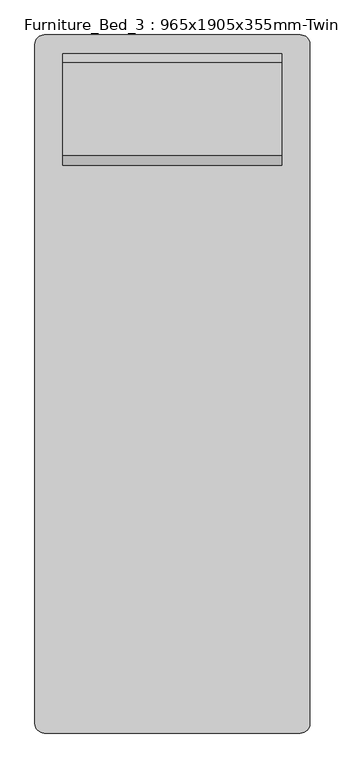
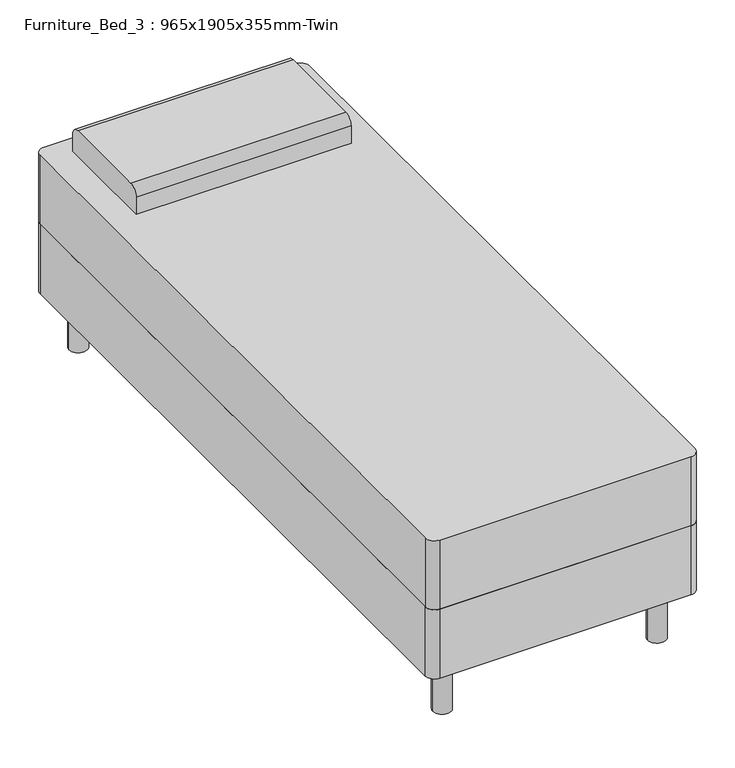
"""IFC4 building model written with IfcOpenShell, lengths in millimetres: furniture geometry, Furniture_Bed_3 : 965x1905x355mm-Twin."""

from ifc_helpers import new_model, si_unit, point, frame, frame_2d, origin, origin_with_axes, place, context, project, spatial, polyline, circle_curve, trimmed, segment, composite_curve, outline, extrude, source, transform, mapped, element, save


def furniture_bed_3_965x1905x355mm_twin_e5871e2a(model_context):
    return source(origin(), model_context, "Body", "SweptSolid", [
        extrude(outline(composite_curve([segment(polyline([(-103.5114754, -972.695082), (-103.5114754, 881.504918)]), True, "CONTINUOUS"), segment(trimmed(circle_curve(frame_2d((-78.1114754, 881.504918)), 25.4), [point((-103.5114754, 881.504918))], [point((-78.1114754, 906.904918))], False, "CARTESIAN"), True, "CONTINUOUS"), segment(polyline([(-78.1114754, 906.904918), (621.0885246, 906.904918)]), True, "CONTINUOUS"), segment(trimmed(circle_curve(frame_2d((621.0885246, 881.504918)), 25.4), [point((621.0885246, 906.904918))], [point((646.4885246, 881.504918))], False, "CARTESIAN"), True, "CONTINUOUS"), segment(polyline([(646.4885246, 881.504918), (646.4885246, -972.695082)]), True, "CONTINUOUS"), segment(trimmed(circle_curve(frame_2d((621.0885246, -972.695082)), 25.4), [point((646.4885246, -972.695082))], [point((621.0885246, -998.095082))], False, "CARTESIAN"), True, "CONTINUOUS"), segment(polyline([(621.0885246, -998.095082), (-78.1114754, -998.095082)]), True, "CONTINUOUS"), segment(trimmed(circle_curve(frame_2d((-78.1114754, -972.695082)), 25.4), [point((-78.1114754, -998.095082))], [point((-103.5114754, -972.695082))], False, "CARTESIAN"), True, "CONTINUOUS")], self_intersect=False)), frame((0.0, 0.0, 152.4), z_axis=(0.0, 0.0, 1.0), x_axis=(1.0, 0.0, 0.0)), (0.0, 0.0, 1.0), 203.2),
        extrude(outline(composite_curve([segment(polyline([(551.304918, 558.8), (551.304918, 609.6)]), True, "CONTINUOUS"), segment(trimmed(circle_curve(frame_2d((576.704918, 609.6)), 25.4), [point((551.304918, 609.6))], [point((576.704918, 635.0))], False, "CARTESIAN"), True, "CONTINUOUS"), segment(polyline([(576.704918, 635.0), (830.704918, 635.0)]), True, "CONTINUOUS"), segment(trimmed(circle_curve(frame_2d((830.704918, 609.6)), 25.4), [point((830.704918, 635.0))], [point((856.104918, 609.6))], False, "CARTESIAN"), True, "CONTINUOUS"), segment(polyline([(856.104918, 609.6), (856.104918, 558.8), (551.304918, 558.8)]), True, "CONTINUOUS")], self_intersect=False)), frame((-27.3114754, 0.0, 0.0), z_axis=(1.0, 0.0, 0.0), x_axis=(0.0, 1.0, 0.0)), (0.0, 0.0, 1.0), 597.6),
        extrude(outline(composite_curve([segment(trimmed(circle_curve(frame_2d((-27.3114754, 830.704918)), 25.4), [point((-52.7114754, 830.704918))], [point((-1.9114754, 830.704918))], False, "CARTESIAN"), True, "CONTINUOUS"), segment(trimmed(circle_curve(frame_2d((-27.3114754, 830.704918)), 25.4), [point((-1.9114754, 830.704918))], [point((-52.7114754, 830.704918))], False, "CARTESIAN"), True, "CONTINUOUS")], self_intersect=False)), origin_with_axes(), (0.0, 0.0, 1.0), 152.4),
        extrude(outline(composite_curve([segment(trimmed(circle_curve(frame_2d((570.2885246, 830.704918)), 25.4), [point((544.8885246, 830.704918))], [point((595.6885246, 830.704918))], False, "CARTESIAN"), True, "CONTINUOUS"), segment(trimmed(circle_curve(frame_2d((570.2885246, 830.704918)), 25.4), [point((595.6885246, 830.704918))], [point((544.8885246, 830.704918))], False, "CARTESIAN"), True, "CONTINUOUS")], self_intersect=False)), origin_with_axes(), (0.0, 0.0, 1.0), 152.4),
        extrude(outline(composite_curve([segment(trimmed(circle_curve(frame_2d((570.2885246, -921.895082)), 25.4), [point((544.8885246, -921.895082))], [point((595.6885246, -921.895082))], False, "CARTESIAN"), True, "CONTINUOUS"), segment(trimmed(circle_curve(frame_2d((570.2885246, -921.895082)), 25.4), [point((595.6885246, -921.895082))], [point((544.8885246, -921.895082))], False, "CARTESIAN"), True, "CONTINUOUS")], self_intersect=False)), origin_with_axes(), (0.0, 0.0, 1.0), 152.4),
        extrude(outline(composite_curve([segment(trimmed(circle_curve(frame_2d((-27.3114754, -921.895082)), 25.4), [point((-52.7114754, -921.895082))], [point((-1.9114754, -921.895082))], False, "CARTESIAN"), True, "CONTINUOUS"), segment(trimmed(circle_curve(frame_2d((-27.3114754, -921.895082)), 25.4), [point((-1.9114754, -921.895082))], [point((-52.7114754, -921.895082))], False, "CARTESIAN"), True, "CONTINUOUS")], self_intersect=False)), origin_with_axes(), (0.0, 0.0, 1.0), 152.4),
        extrude(outline(composite_curve([segment(trimmed(circle_curve(frame_2d((-78.1114754, 881.504918)), 25.4), [point((-103.5114754, 881.504918))], [point((-78.1114754, 906.904918))], False, "CARTESIAN"), True, "CONTINUOUS"), segment(polyline([(-78.1114754, 906.904918), (621.0885246, 906.904918)]), True, "CONTINUOUS"), segment(trimmed(circle_curve(frame_2d((621.0885246, 881.504918)), 25.4), [point((621.0885246, 906.904918))], [point((646.4885246, 881.504918))], False, "CARTESIAN"), True, "CONTINUOUS"), segment(polyline([(646.4885246, 881.504918), (646.4885246, -972.695082)]), True, "CONTINUOUS"), segment(trimmed(circle_curve(frame_2d((621.0885246, -972.695082)), 25.4), [point((646.4885246, -972.695082))], [point((621.0885246, -998.095082))], False, "CARTESIAN"), True, "CONTINUOUS"), segment(polyline([(621.0885246, -998.095082), (-78.1114754, -998.095082)]), True, "CONTINUOUS"), segment(trimmed(circle_curve(frame_2d((-78.1114754, -972.695082)), 25.4), [point((-78.1114754, -998.095082))], [point((-103.5114754, -972.695082))], False, "CARTESIAN"), True, "CONTINUOUS"), segment(polyline([(-103.5114754, -972.695082), (-103.5114754, 881.504918)]), True, "CONTINUOUS")], self_intersect=False)), frame((0.0, 0.0, 355.6), z_axis=(0.0, 0.0, 1.0), x_axis=(1.0, 0.0, 0.0)), (0.0, 0.0, 1.0), 203.2),
    ])


if __name__ == "__main__":
    model = new_model("IFC4")
    model_context = context("Model", 3, world=origin())
    ifc_project = project(units=[si_unit("LENGTHUNIT", "METRE", prefix="MILLI")], contexts=[model_context])
    site = spatial("IfcSite", under=ifc_project)
    building = spatial("IfcBuilding", under=site)
    placement = place(None, origin())
    furniture_bed_3_965x1905x355mm_twin_shape = furniture_bed_3_965x1905x355mm_twin_e5871e2a(model_context)
    element("IfcFurniture", 1, ObjectType="Furniture_Bed_3 : 965x1905x355mm-Twin", at=placement, inside=building, context=model_context, shape_type="MappedRepresentation", body=[
        mapped(furniture_bed_3_965x1905x355mm_twin_shape, transform((0.0, 0.0, 0.0), x_axis=(1.0, 0.0, 0.0), y_axis=(0.0, 1.0, 0.0), z_axis=(0.0, 0.0, 1.0))),
    ])
    save(model, "model.ifc")
